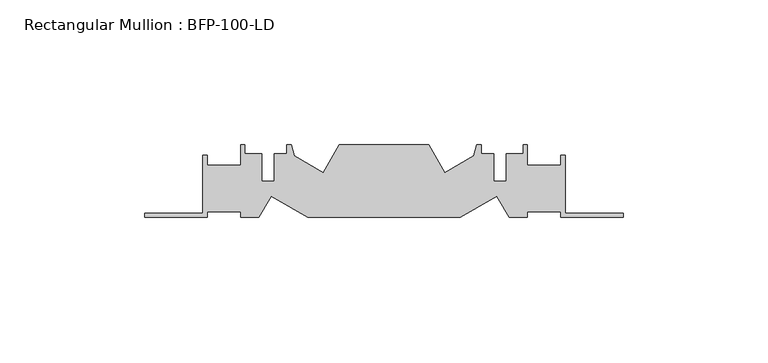
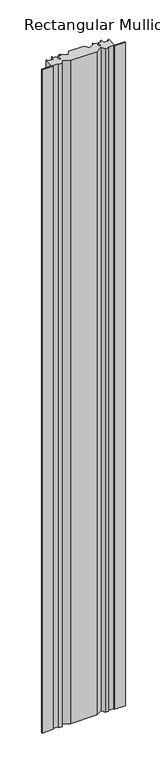
"""IFC4 building model written with IfcOpenShell, lengths in millimetres: member geometry, Rectangular Mullion : BFP-100-LD."""

from ifc_helpers import new_model, si_unit, frame, origin, place, context, project, spatial, polyline, outline, extrude, source, transform, mapped, element, save


def rectangular_mullion_bfp_100_ld_c8d56110(model_context):
    return source(origin(), model_context, "Body", "SweptSolid", [
        extrude(outline(polyline([(-121.4790017, 27.3331761), (-125.7128129, 20.0), (-132.0, 20.0), (-132.0, 22.0), (-143.5, 22.0), (-143.5, 20.0), (-165.0, 20.0), (-165.0, 21.5), (-145.0, 21.5), (-145.0, 41.5), (-143.5, 41.5), (-143.5, 38.0), (-132.0, 38.0), (-132.0, 45.0), (-130.5, 45.0), (-130.5, 42.0), (-124.6, 42.0), (-124.6, 32.4), (-120.4, 32.4), (-120.4, 42.0), (-116.0, 42.0), (-116.0, 45.0), (-114.5, 45.0), (-113.4790017, 41.1895826), (-103.5197096, 35.4395826), (-98.0, 45.0), (-67.0, 45.0), (-61.4802904, 35.4395826), (-51.5209983, 41.1895826), (-50.5, 45.0), (-49.0, 45.0), (-49.0, 42.0), (-44.6, 42.0), (-44.6, 32.4), (-40.4, 32.4), (-40.4, 42.0), (-34.5, 42.0), (-34.5, 45.0), (-33.0, 45.0), (-33.0, 38.0), (-21.5, 38.0), (-21.5, 41.5), (-20.0, 41.5), (-20.0, 21.5), (0.0, 21.5), (0.0, 20.0), (-21.5, 20.0), (-21.5, 22.0), (-33.0, 22.0), (-33.0, 20.0), (-39.2871871, 20.0), (-43.5209983, 27.3331761), (-56.2224319, 20.0), (-108.7775681, 20.0), (-121.4790017, 27.3331761)])), frame((0.0, 0.0, -1389.0), z_axis=(0.0, 0.0, 1.0), x_axis=(1.0, 0.0, 0.0)), (0.0, 0.0, 1.0), 1389.0),
    ])


if __name__ == "__main__":
    model = new_model("IFC4")
    model_context = context("Model", 3, world=origin())
    ifc_project = project(units=[si_unit("LENGTHUNIT", "METRE", prefix="MILLI")], contexts=[model_context])
    site = spatial("IfcSite", under=ifc_project)
    building = spatial("IfcBuilding", under=site)
    placement = place(None, origin())
    rectangular_mullion_bfp_100_ld_shape = rectangular_mullion_bfp_100_ld_c8d56110(model_context)
    element("IfcMember", 1, ObjectType="Rectangular Mullion : BFP-100-LD", at=placement, inside=building, context=model_context, shape_type="MappedRepresentation", body=[
        mapped(rectangular_mullion_bfp_100_ld_shape, transform((0.0, 0.0, 0.0), x_axis=(1.0, 0.0, 0.0), y_axis=(0.0, 1.0, 0.0), z_axis=(0.0, 0.0, 1.0))),
    ])
    save(model, "model.ifc")
